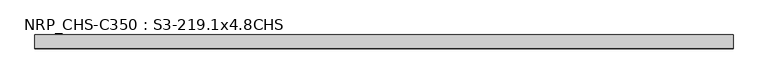
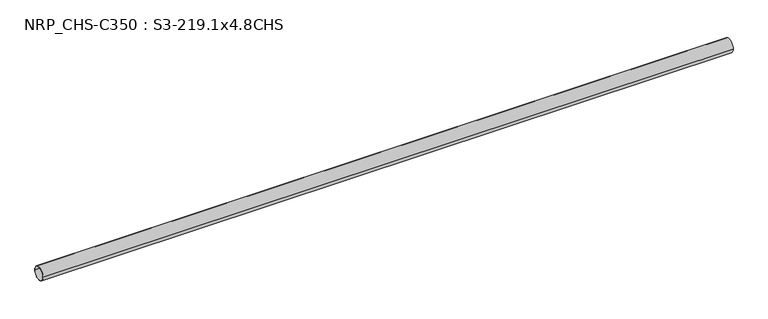
"""IFC4 building model written with IfcOpenShell, lengths in millimetres: beam geometry, NRP_CHS-C350 : S3-219.1x4.8CHS."""

from ifc_helpers import new_model, si_unit, point, frame, origin, origin_2d, place, context, project, spatial, circle_curve, trimmed, segment, composite_curve, outline, extrude, source, transform, mapped, element, save


def nrp_chs_c350_s3_219_1x4_8chs_1b9aa4b9(model_context):
    return source(origin(), model_context, "Body", "SweptSolid", [
        extrude(outline(composite_curve([segment(trimmed(circle_curve(origin_2d(), 109.55), [point((109.55, 0.0))], [point((-109.55, 0.0))], False, "CARTESIAN"), True, "CONTINUOUS"), segment(trimmed(circle_curve(origin_2d(), 109.55), [point((-109.55, 0.0))], [point((109.55, 0.0))], False, "CARTESIAN"), True, "CONTINUOUS")], self_intersect=False), holes=[composite_curve([segment(trimmed(circle_curve(origin_2d(), 104.75), [point((-104.75, 0.0))], [point((104.75, 0.0))], True, "CARTESIAN"), True, "CONTINUOUS"), segment(trimmed(circle_curve(origin_2d(), 104.75), [point((104.75, 0.0))], [point((-104.75, 0.0))], True, "CARTESIAN"), True, "CONTINUOUS")], self_intersect=False)]), frame((-5499.8, 0.0, 0.0), z_axis=(1.0, 0.0, 0.0), x_axis=(0.0, 1.0, 0.0)), (0.0, 0.0, 1.0), 10999.6),
    ])


if __name__ == "__main__":
    model = new_model("IFC4")
    model_context = context("Model", 3, world=origin())
    ifc_project = project(units=[si_unit("LENGTHUNIT", "METRE", prefix="MILLI")], contexts=[model_context])
    site = spatial("IfcSite", under=ifc_project)
    building = spatial("IfcBuilding", under=site)
    placement = place(None, origin())
    nrp_chs_c350_s3_219_1x4_8chs_shape = nrp_chs_c350_s3_219_1x4_8chs_1b9aa4b9(model_context)
    element("IfcBeam", 1, ObjectType="NRP_CHS-C350 : S3-219.1x4.8CHS", at=placement, inside=building, context=model_context, shape_type="MappedRepresentation", body=[
        mapped(nrp_chs_c350_s3_219_1x4_8chs_shape, transform((0.0, 0.0, 0.0), x_axis=(1.0, 0.0, 0.0), y_axis=(0.0, 1.0, 0.0), z_axis=(0.0, 0.0, 1.0))),
    ])
    save(model, "model.ifc")
